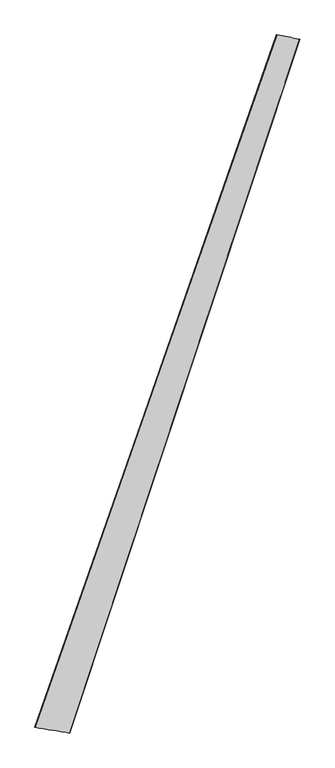
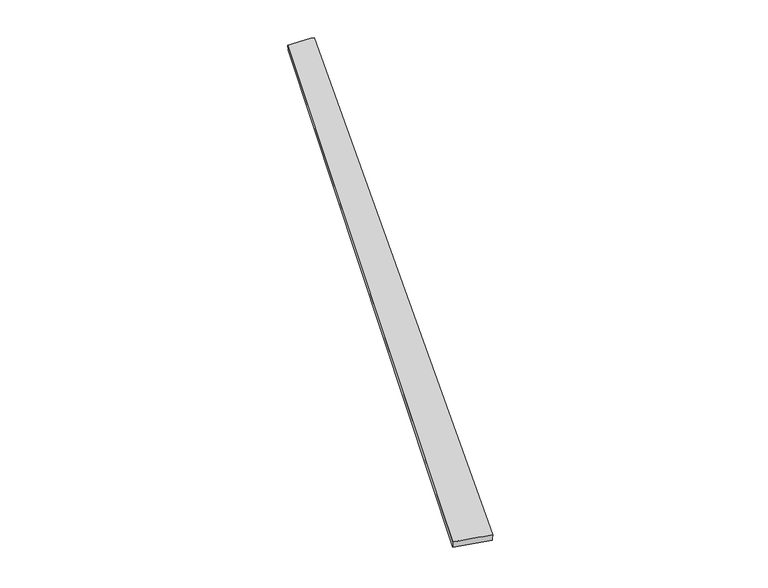
"""IFC4 building model written with IfcOpenShell, lengths in millimetres: proxy geometry."""

from ifc_helpers import new_model, si_unit, origin, place, context, project, spatial, source, transform, mapped, element, save
from ifc_brep_helpers import spline_surface, advanced_brep


def generic_models_10a56cc7(model_context):
    return source(origin(), model_context, "Body", "AdvancedBrep", [
        advanced_brep(
        [(-679.4038736, -1721.1564797, 4.1938179), (-678.1718779, -1721.5056137, 34.166477), (666.3939851, 2129.515774, 23.3622344), (669.7539759, 2128.2560084, -6.4223833), (-484.6924802, -1753.3891399, 25.7753212), (793.211449, 2106.5003685, 36.3262878), (-485.8954952, -1752.9071265, -4.1966727), (795.5453929, 2105.8075977, 6.4252381)],
        [
            (0, 1),
            (1, 2),
            (2, 3),
            (3, 0),
            (1, 4),
            (4, 5),
            (5, 2),
            (4, 6),
            (6, 7),
            (7, 5),
            (6, 0),
            (3, 7),
        ],
        [
            spline_surface(1, 1, [[(-679.4038736, -1721.1564797, 4.1938179), (669.7539759, 2128.2560084, -6.4223833)], [(-678.1718779, -1721.5056137, 34.166477), (666.3939851, 2129.515774, 23.3622344)]], [2, 2], [2, 2], [0.0, 1.0], [0.0, 1.0]),
            spline_surface(1, 1, [[(-678.1718779, -1721.5056137, 34.166477), (666.3939851, 2129.515774, 23.3622344)], [(-484.6924802, -1753.3891399, 25.7753212), (793.211449, 2106.5003685, 36.3262878)]], [2, 2], [2, 2], [0.0, 1.0], [0.0, 1.0]),
            spline_surface(1, 1, [[(-484.6924802, -1753.3891399, 25.7753212), (793.211449, 2106.5003685, 36.3262878)], [(-485.8954952, -1752.9071265, -4.1966727), (795.5453929, 2105.8075977, 6.4252381)]], [2, 2], [2, 2], [0.0, 1.0], [0.0, 1.0]),
            spline_surface(1, 1, [[(-485.8954952, -1752.9071265, -4.1966727), (795.5453929, 2105.8075977, 6.4252381)], [(-679.4038736, -1721.1564797, 4.1938179), (669.7539759, 2128.2560084, -6.4223833)]], [2, 2], [2, 2], [0.0, 1.0], [0.0, 1.0]),
            spline_surface(1, 1, [[(666.3939851, 2129.515774, 23.3622344), (669.7539759, 2128.2560084, -6.4223833)], [(793.211449, 2106.5003685, 36.3262878), (795.5453929, 2105.8075977, 6.4252381)]], [2, 2], [2, 2], [0.0, 1.0], [0.0, 1.0]),
            spline_surface(1, 1, [[(-485.8954952, -1752.9071265, -4.1966727), (-679.4038736, -1721.1564797, 4.1938179)], [(-484.6924802, -1753.3891399, 25.7753212), (-678.1718779, -1721.5056137, 34.166477)]], [2, 2], [2, 2], [0.0, 1.0], [0.0, 1.0]),
        ],
        [
            (0, [[1, 2, 3, 4]]),
            (1, [[5, 6, 7, -2]]),
            (2, [[8, 9, 10, -6]]),
            (3, [[11, -4, 12, -9]]),
            (4, [[-3, -7, -10, -12]]),
            (5, [[-11, -8, -5, -1]]),
        ],
    ),
    ])


if __name__ == "__main__":
    model = new_model("IFC4")
    model_context = context("Model", 3, world=origin())
    ifc_project = project(units=[si_unit("LENGTHUNIT", "METRE", prefix="MILLI")], contexts=[model_context])
    site = spatial("IfcSite", under=ifc_project)
    building = spatial("IfcBuilding", under=site)
    placement = place(None, origin())
    generic_models_shape = generic_models_10a56cc7(model_context)
    element("IfcBuildingElementProxy", 1, Name="Generic Models", at=placement, inside=building, context=model_context, shape_type="MappedRepresentation", body=[
        mapped(generic_models_shape, transform((0.0, 0.0, 0.0), x_axis=(1.0, 0.0, 0.0), y_axis=(0.0, 1.0, 0.0), z_axis=(0.0, 0.0, 1.0))),
    ])
    save(model, "model.ifc")
